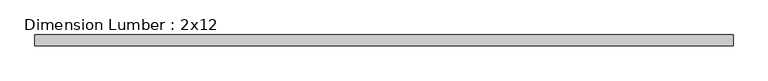
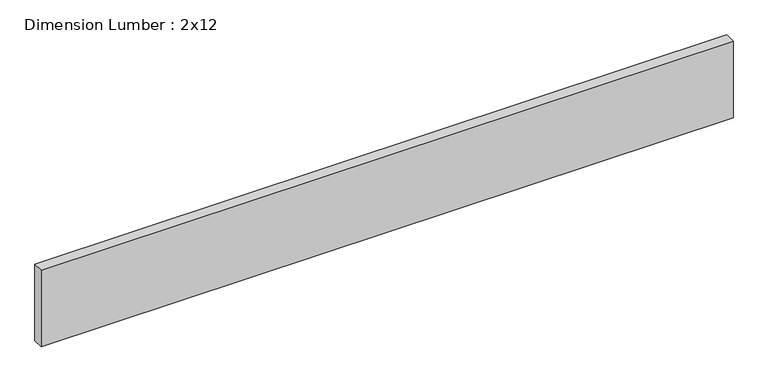
"""IFC4 building model written with IfcOpenShell, lengths in millimetres: beam geometry, Dimension Lumber : 2x12."""

from ifc_helpers import new_model, si_unit, frame, origin, place, context, project, spatial, polyline, outline, extrude, source, transform, mapped, element, save


def dimension_lumber_2x12_a05d1526(model_context):
    return source(origin(), model_context, "Body", "SweptSolid", [
        extrude(outline(polyline([(1219.2, -19.05), (-1219.2, -19.05), (-1219.2, 19.05), (1219.2, 19.05), (1219.2, -19.05)])), frame((0.0, 0.0, -142.875), z_axis=(0.0, 0.0, 1.0), x_axis=(1.0, 0.0, 0.0)), (0.0, 0.0, 1.0), 285.75),
    ])


if __name__ == "__main__":
    model = new_model("IFC4")
    model_context = context("Model", 3, world=origin())
    ifc_project = project(units=[si_unit("LENGTHUNIT", "METRE", prefix="MILLI")], contexts=[model_context])
    site = spatial("IfcSite", under=ifc_project)
    building = spatial("IfcBuilding", under=site)
    placement = place(None, origin())
    dimension_lumber_2x12_shape = dimension_lumber_2x12_a05d1526(model_context)
    element("IfcBeam", 1, ObjectType="Dimension Lumber : 2x12", at=placement, inside=building, context=model_context, shape_type="MappedRepresentation", body=[
        mapped(dimension_lumber_2x12_shape, transform((0.0, 0.0, 0.0), x_axis=(1.0, 0.0, 0.0), y_axis=(0.0, 1.0, 0.0), z_axis=(0.0, 0.0, 1.0))),
    ])
    save(model, "model.ifc")
